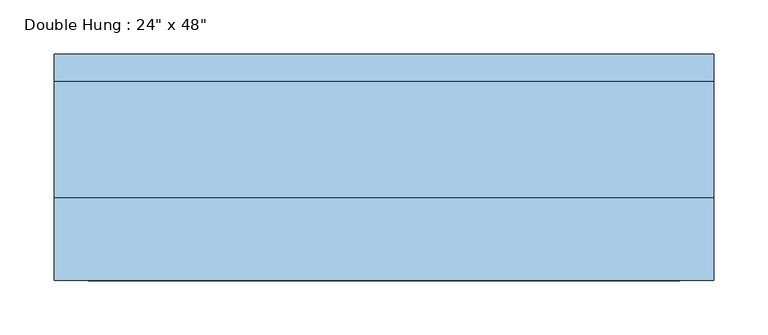
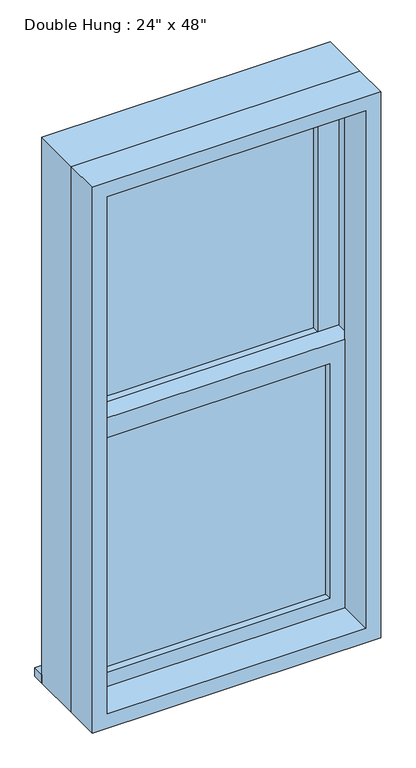
"""IFC4 building model written with IfcOpenShell, lengths in millimetres: window geometry."""

from ifc_helpers import new_model, si_unit, frame, origin, place, context, project, spatial, polyline, outline, extrude, source, transform, mapped, element, save


def window_030d6a21(model_context):
    return source(origin(), model_context, "Body", "SweptSolid", [
        extrude(outline(polyline([(-241.3, 12.7), (241.3, 12.7), (241.3, 0.0), (-241.3, 0.0), (-241.3, 12.7)])), frame((0.0, 0.0, 977.9), z_axis=(0.0, 0.0, 1.0), x_axis=(1.0, 0.0, 0.0)), (0.0, 0.0, 1.0), 523.875),
        extrude(outline(polyline([(1546.225, -285.75), (933.45, -285.75), (933.45, 285.75), (1546.225, 285.75), (1546.225, -285.75)]), holes=[polyline([(1501.775, -241.3), (1501.775, 241.3), (977.9, 241.3), (977.9, -241.3), (1501.775, -241.3)])]), frame((0.0, -15.875, 0.0), z_axis=(0.0, 1.0, 0.0), x_axis=(0.0, 0.0, 1.0)), (0.0, 0.0, 1.0), 44.45),
        extrude(outline(polyline([(-304.8, 117.475), (304.8, 117.475), (304.8, 92.075), (-304.8, 92.075), (-304.8, 117.475)])), frame((0.0, 0.0, 914.4), z_axis=(0.0, 0.0, 1.0), x_axis=(1.0, 0.0, 0.0)), (0.0, 0.0, 1.0), 19.05),
        extrude(outline(polyline([(241.3, 44.45), (-241.3, 44.45), (-241.3, 57.15), (241.3, 57.15), (241.3, 44.45)])), frame((0.0, 0.0, 1546.225), z_axis=(0.0, 0.0, 1.0), x_axis=(1.0, 0.0, 0.0)), (0.0, 0.0, 1.0), 523.875),
        extrude(outline(polyline([(2114.55, -285.75), (1501.775, -285.75), (1501.775, 285.75), (2114.55, 285.75), (2114.55, -285.75)]), holes=[polyline([(2070.1, -241.3), (2070.1, 241.3), (1546.225, 241.3), (1546.225, -241.3), (2070.1, -241.3)])]), frame((0.0, 28.575, 0.0), z_axis=(0.0, 1.0, 0.0), x_axis=(0.0, 0.0, 1.0)), (0.0, 0.0, 1.0), 44.45),
        extrude(outline(polyline([(2133.6, -304.8), (914.4, -304.8), (914.4, 304.8), (2133.6, 304.8), (2133.6, -304.8)]), holes=[polyline([(2101.85, -273.05), (2101.85, 273.05), (946.15, 273.05), (946.15, -273.05), (2101.85, -273.05)])]), frame((0.0, -92.075, 0.0), z_axis=(0.0, 1.0, 0.0), x_axis=(0.0, 0.0, 1.0)), (0.0, 0.0, 1.0), 76.2),
        extrude(outline(polyline([(2133.6, 304.8), (2133.6, -304.8), (914.4, -304.8), (914.4, 304.8), (2133.6, 304.8)]), holes=[polyline([(2114.55, 285.75), (933.45, 285.75), (933.45, -285.75), (2114.55, -285.75), (2114.55, 285.75)])]), frame((0.0, -15.875, 0.0), z_axis=(0.0, 1.0, 0.0), x_axis=(0.0, 0.0, 1.0)), (0.0, 0.0, 1.0), 107.95),
    ])


if __name__ == "__main__":
    model = new_model("IFC4")
    model_context = context("Model", 3, world=origin())
    ifc_project = project(units=[si_unit("LENGTHUNIT", "METRE", prefix="MILLI")], contexts=[model_context])
    site = spatial("IfcSite", under=ifc_project)
    building = spatial("IfcBuilding", under=site)
    placement = place(None, origin())
    window_shape = window_030d6a21(model_context)
    element("IfcWindow", 1, ObjectType="Double Hung : 24\" x 48\"", at=placement, inside=building, context=model_context, shape_type="MappedRepresentation", body=[
        mapped(window_shape, transform((0.0, 0.0, 0.0), x_axis=(1.0, 0.0, 0.0), y_axis=(0.0, 1.0, 0.0), z_axis=(0.0, 0.0, 1.0))),
    ])
    save(model, "model.ifc")
